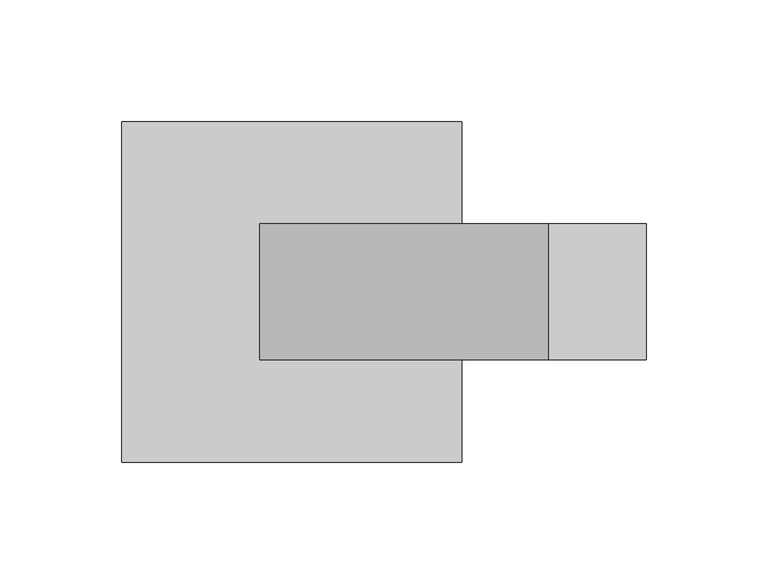
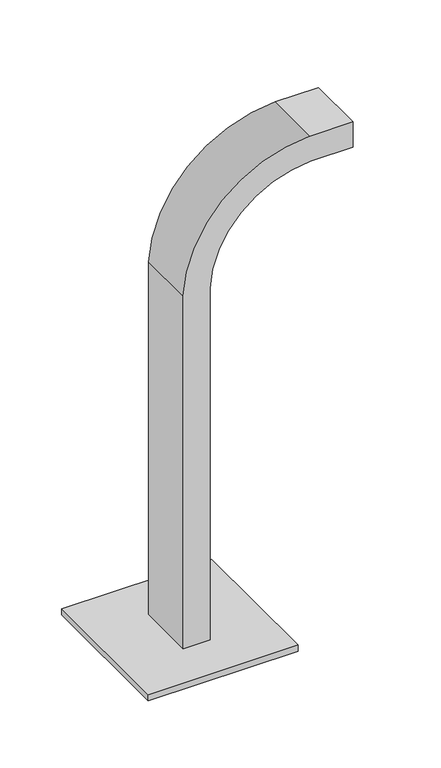
"""IFC4 building model written with IfcOpenShell, lengths in millimetres: furniture geometry."""

from ifc_helpers import new_model, si_unit, point, frame, frame_2d, origin, origin_with_axes, place, context, project, spatial, polyline, circle_curve, trimmed, segment, composite_curve, outline, extrude, source, transform, mapped, element, save


def furniture_5d6e9dbe(model_context):
    return source(origin(), model_context, "Body", "SweptSolid", [
        extrude(outline(composite_curve([segment(polyline([(359.4420469, -833.0547414), (11.0, -833.0547414), (11.0, -808.0547414), (358.7575366, -808.0547414)]), True, "CONTINUOUS"), segment(trimmed(circle_curve(frame_2d((353.0696692, -710.1651072)), 98.0547414), [point((358.7575366, -808.0547414))], [point((451.0547414, -713.8607731))], True, "CARTESIAN"), True, "CONTINUOUS"), segment(polyline([(451.0547414, -713.8607731), (451.0547414, -674.0794885), (476.0547414, -674.0794885), (476.0547414, -714.3053257)]), True, "CONTINUOUS"), segment(trimmed(circle_curve(frame_2d((353.0696692, -710.1651072)), 123.0547414), [point((476.0547414, -714.3053257))], [point((359.4420469, -833.0547414))], False, "CARTESIAN"), True, "CONTINUOUS")], self_intersect=False)), frame((0.0, -27.920928, 0.0), z_axis=(0.0, 1.0, 0.0), x_axis=(0.0, 0.0, 1.0)), (0.0, 0.0, 1.0), 55.8418559),
        extrude(outline(composite_curve([segment(trimmed(circle_curve(frame_2d((-878.0500045, -58.0314537)), 5.0), [point((-883.0500045, -58.0314537))], [point((-873.0500045, -58.0314537))], False, "CARTESIAN"), True, "CONTINUOUS"), segment(trimmed(circle_curve(frame_2d((-878.0500045, -58.0314537)), 5.0), [point((-873.0500045, -58.0314537))], [point((-883.0500045, -58.0314537))], False, "CARTESIAN"), True, "CONTINUOUS")], self_intersect=False)), origin_with_axes(), (0.0, 0.0, 1.0), 5.0),
        extrude(outline(composite_curve([segment(trimmed(circle_curve(frame_2d((-761.9499955, -58.0314537)), 5.0), [point((-766.9499955, -58.0314537))], [point((-756.9499955, -58.0314537))], False, "CARTESIAN"), True, "CONTINUOUS"), segment(trimmed(circle_curve(frame_2d((-761.9499955, -58.0314537)), 5.0), [point((-756.9499955, -58.0314537))], [point((-766.9499955, -58.0314537))], False, "CARTESIAN"), True, "CONTINUOUS")], self_intersect=False)), origin_with_axes(), (0.0, 0.0, 1.0), 5.0),
        extrude(outline(composite_curve([segment(trimmed(circle_curve(frame_2d((-878.0500045, 58.0314537)), 5.0), [point((-883.0500045, 58.0314537))], [point((-873.0500045, 58.0314537))], False, "CARTESIAN"), True, "CONTINUOUS"), segment(trimmed(circle_curve(frame_2d((-878.0500045, 58.0314537)), 5.0), [point((-873.0500045, 58.0314537))], [point((-883.0500045, 58.0314537))], False, "CARTESIAN"), True, "CONTINUOUS")], self_intersect=False)), origin_with_axes(), (0.0, 0.0, 1.0), 5.0),
        extrude(outline(composite_curve([segment(trimmed(circle_curve(frame_2d((-761.9499955, 58.0314537)), 5.0), [point((-766.9499955, 58.0314537))], [point((-756.9499955, 58.0314537))], False, "CARTESIAN"), True, "CONTINUOUS"), segment(trimmed(circle_curve(frame_2d((-761.9499955, 58.0314537)), 5.0), [point((-756.9499955, 58.0314537))], [point((-766.9499955, 58.0314537))], False, "CARTESIAN"), True, "CONTINUOUS")], self_intersect=False)), origin_with_axes(), (0.0, 0.0, 1.0), 5.0),
        extrude(outline(polyline([(-750.0, -70.0), (-890.0, -70.0), (-890.0, 70.0), (-750.0, 70.0), (-750.0, -70.0)])), frame((0.0, 0.0, 5.0), z_axis=(0.0, 0.0, 1.0), x_axis=(1.0, 0.0, 0.0)), (0.0, 0.0, 1.0), 6.0),
    ])


if __name__ == "__main__":
    model = new_model("IFC4")
    model_context = context("Model", 3, world=origin())
    ifc_project = project(units=[si_unit("LENGTHUNIT", "METRE", prefix="MILLI")], contexts=[model_context])
    site = spatial("IfcSite", under=ifc_project)
    building = spatial("IfcBuilding", under=site)
    placement = place(None, origin())
    furniture_shape = furniture_5d6e9dbe(model_context)
    element("IfcFurniture", 1, at=placement, inside=building, context=model_context, shape_type="MappedRepresentation", body=[
        mapped(furniture_shape, transform((0.0, 0.0, 0.0), x_axis=(1.0, 0.0, 0.0), y_axis=(0.0, 1.0, 0.0), z_axis=(0.0, 0.0, 1.0))),
    ])
    save(model, "model.ifc")
